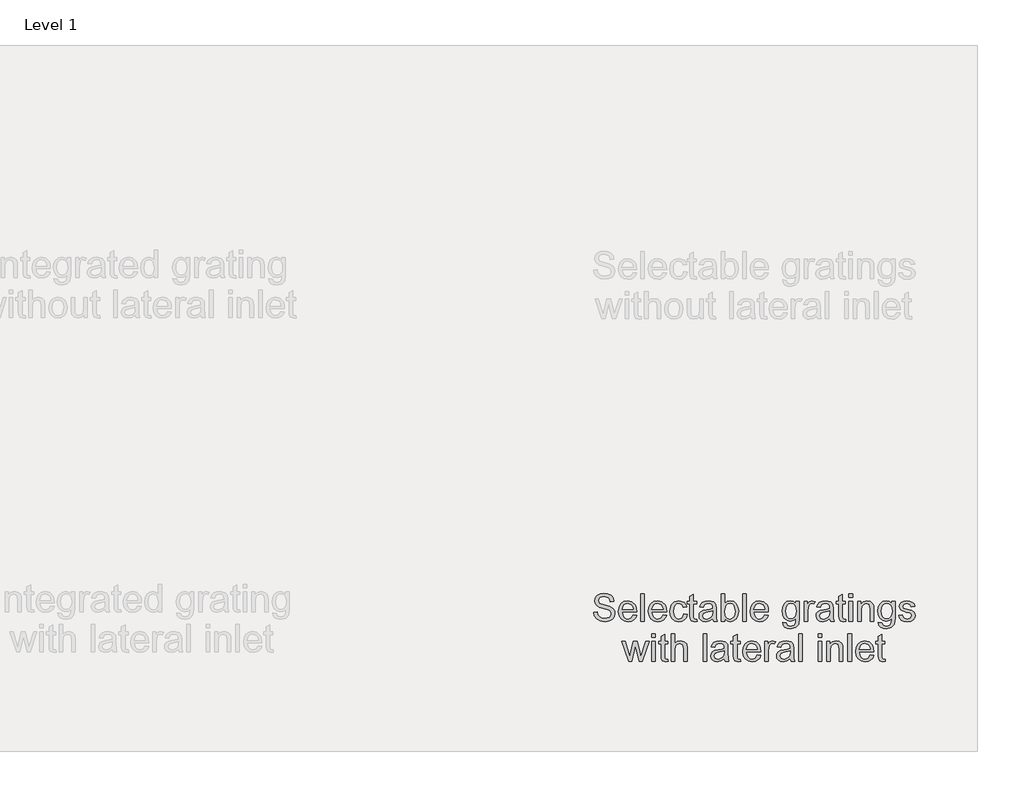
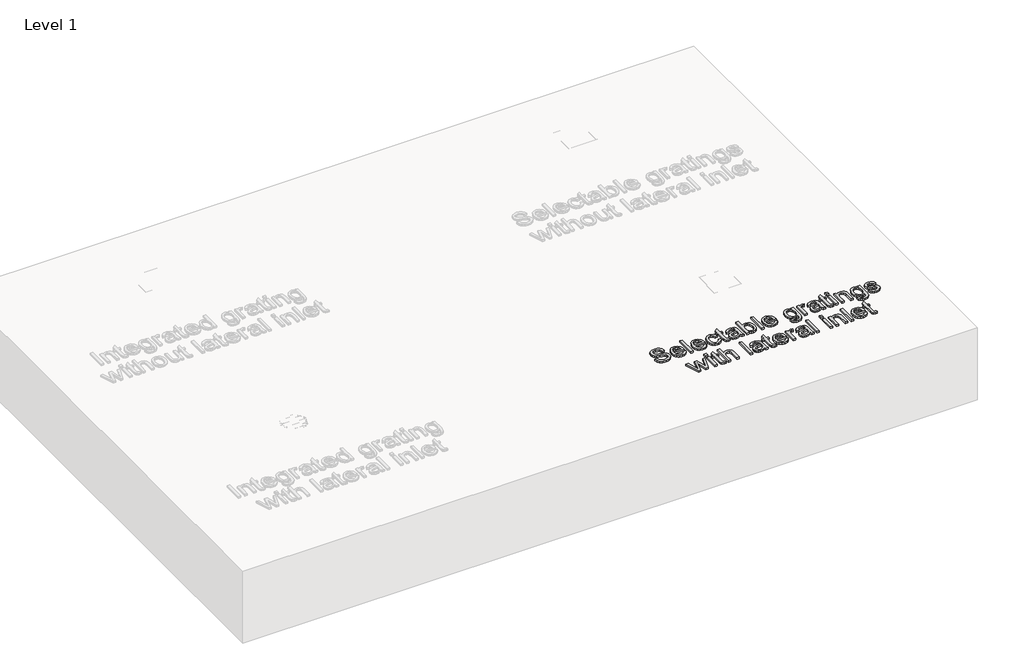
# One storey, part 2 of 5: 1 proxy.
"""IFC4 building model written with IfcOpenShell, lengths in millimetres."""

from ifc_helpers import new_model, si_unit, origin, origin_with_axes, place, context, project, spatial, polyline, outline, extrude, element, save

model = new_model("IFC4")

# Units and contexts
model_context = context("Model", 3, world=origin())
ifc_project = project(units=[si_unit("LENGTHUNIT", "METRE", prefix="MILLI")], contexts=[model_context])

# Site, building, storey
site = spatial("IfcSite", under=ifc_project)
building = spatial("IfcBuilding", under=site)
storey = spatial("IfcBuildingStorey", under=building, Name="Level 1", Elevation=0.0)

# Proxy
placement = place(None, origin())
element("IfcBuildingElementProxy", 1, Name="100mm ACO", ObjectType="100mm ACO", at=placement, inside=storey, context=model_context, shape_type="SweptSolid", body=[
    extrude(outline(polyline([(14433.4866855, 9836.5794399), (14431.4756901, 9845.4733925), (14427.005204, 9851.8427501), (14410.6857595, 9856.9498103), (14395.0607595, 9852.9712223), (14390.5468706, 9848.0847929), (14389.042241, 9841.3826807), (14393.5271947, 9831.3277038), (14411.698491, 9825.034301), (14431.5335605, 9819.5510834), (14444.6846021, 9810.6245788), (14448.7861646, 9803.5426922), (14450.1533521, 9794.3919399), (14447.6468417, 9782.5538323), (14440.1273105, 9772.9075649), (14428.5785547, 9766.4948045), (14413.9843706, 9764.3572177), (14396.001153, 9766.7299029), (14383.1973336, 9773.8479584), (14375.3848336, 9784.7420557), (14372.3755743, 9798.4428659), (14385.3385373, 9799.5424029), (14387.9680223, 9788.6663902), (14394.1782364, 9781.2119631), (14403.0143186, 9776.9042374), (14413.5214077, 9775.4683288), (14430.6510373, 9780.1992316), (14435.5555512, 9785.7728716), (14437.1903892, 9793.0319862), (14435.5012977, 9800.3598219), (14430.4340234, 9805.3873103), (14407.1556669, 9812.8381205), (14392.9448741, 9817.1783983), (14383.3564771, 9823.0522409), (14377.8985778, 9830.680279), (14376.079278, 9840.2831436), (14378.3615408, 9851.278514), (14385.208329, 9860.190551), (14395.9903024, 9866.0933288), (14410.0781206, 9868.0609214), (14424.6397526, 9866.0788612), (14436.0329817, 9860.1326807), (14443.5416623, 9850.5406668), (14446.4496484, 9837.6211066), (14433.4866855, 9836.5794399)])), origin_with_axes(), (0.0, 0.0, 1.0), 10.0),
    extrude(outline(polyline([(14529.7829817, 9799.5424029), (14476.079278, 9799.5424029), (14478.1517607, 9788.4168242), (14482.864579, 9780.2715696), (14489.646263, 9775.2802501), (14497.9253429, 9773.616477), (14509.6006901, 9777.3057131), (14516.8200188, 9788.4312918), (14529.7829817, 9786.9266621), (14525.406535, 9777.3057131), (14518.4693243, 9770.2021251), (14509.2245327, 9765.8184446), (14497.9253429, 9764.3572177), (14483.3383926, 9766.8637281), (14472.3321716, 9774.3832594), (14465.4202792, 9786.2430684), (14463.1163151, 9801.7704121), (14465.3370905, 9817.3086066), (14471.9994169, 9829.6060603), (14482.6982017, 9837.6138728), (14497.0283521, 9840.2831436), (14512.2482595, 9836.825389), (14524.6759216, 9825.0487686), (14528.5062167, 9814.5127443), (14529.7829817, 9799.5424029)]), holes=[polyline([(14516.8200188, 9808.8016621), (14514.7366855, 9818.9579121), (14509.9913151, 9825.815551), (14496.7100651, 9831.0238844), (14488.8541623, 9829.475852), (14482.5318243, 9824.8317547), (14476.079278, 9808.8016621), (14516.8200188, 9808.8016621)])]), origin_with_axes(), (0.0, 0.0, 1.0), 10.0),
    extrude(outline(polyline([(14557.5607595, 9766.2090696), (14544.5977966, 9766.2090696), (14544.5977966, 9866.2090696), (14557.5607595, 9866.2090696), (14557.5607595, 9766.2090696)])), origin_with_axes(), (0.0, 0.0, 1.0), 10.0),
    extrude(outline(polyline([(14639.042241, 9799.5424029), (14585.3385373, 9799.5424029), (14587.4110199, 9788.4168242), (14592.1238382, 9780.2715696), (14598.9055223, 9775.2802501), (14607.1846021, 9773.616477), (14618.8599493, 9777.3057131), (14626.079278, 9788.4312918), (14639.042241, 9786.9266621), (14634.6657942, 9777.3057131), (14627.7285836, 9770.2021251), (14618.4837919, 9765.8184446), (14607.1846021, 9764.3572177), (14592.5976519, 9766.8637281), (14581.5914308, 9774.3832594), (14574.6795385, 9786.2430684), (14572.3755743, 9801.7704121), (14574.5963498, 9817.3086066), (14581.2586762, 9829.6060603), (14591.9574609, 9837.6138728), (14606.2876114, 9840.2831436), (14621.5075188, 9836.825389), (14633.9351808, 9825.0487686), (14637.765476, 9814.5127443), (14639.042241, 9799.5424029)]), holes=[polyline([(14626.079278, 9808.8016621), (14623.9959447, 9818.9579121), (14619.2505743, 9825.815551), (14605.9693243, 9831.0238844), (14598.1134216, 9829.475852), (14591.7910836, 9824.8317547), (14585.3385373, 9808.8016621), (14626.079278, 9808.8016621)])]), origin_with_axes(), (0.0, 0.0, 1.0), 10.0),
    extrude(outline(polyline([(14714.9681669, 9790.659301), (14710.9389424, 9778.8537455), (14703.7702503, 9770.6940233), (14694.4458868, 9765.9414191), (14683.9496484, 9764.3572177), (14669.6339655, 9766.9469168), (14658.9785836, 9774.716014), (14652.35966, 9786.7602848), (14650.1533521, 9802.1755047), (14655.1880743, 9824.8606899), (14667.7893475, 9836.825389), (14683.6892317, 9840.2831436), (14703.1481438, 9834.6263149), (14709.6838787, 9827.6420846), (14713.1163151, 9818.003051), (14700.1533521, 9816.2090696), (14694.2505743, 9827.3057131), (14683.8339077, 9831.0238844), (14674.8784679, 9829.1394804), (14668.3825188, 9823.4862686), (14664.432866, 9814.454874), (14663.1163151, 9802.4359214), (14664.4364829, 9790.2071888), (14668.3969864, 9781.1251575), (14674.8459158, 9775.4936471), (14683.6313614, 9773.616477), (14696.2326345, 9778.2461066), (14702.005204, 9792.1349955), (14714.9681669, 9790.659301)])), origin_with_axes(), (0.0, 0.0, 1.0), 10.0),
    extrude(outline(polyline([(14750.1533521, 9765.1963381), (14741.067704, 9764.3572177), (14729.4791623, 9767.2362686), (14725.0376114, 9774.5424029), (14724.2274262, 9786.8687918), (14724.2274262, 9829.1720325), (14714.9681669, 9829.1720325), (14714.9681669, 9838.4312918), (14724.2274262, 9838.4312918), (14724.2274262, 9856.7761992), (14737.1903892, 9864.3572177), (14737.1903892, 9838.4312918), (14748.3015003, 9838.4312918), (14748.3015003, 9829.1720325), (14737.1903892, 9829.1720325), (14737.1903892, 9784.2646251), (14738.2320558, 9776.0470325), (14743.5271947, 9773.616477), (14748.5619169, 9773.616477), (14750.1533521, 9765.1963381)])), origin_with_axes(), (0.0, 0.0, 1.0), 10.0),
    extrude(outline(polyline([(14824.2274262, 9766.2090696), (14811.2644632, 9766.2090696), (14807.5607595, 9774.9474955), (14795.0679933, 9767.0047871), (14781.6058984, 9764.3572177), (14771.6196426, 9765.803977), (14763.9988382, 9770.1442547), (14759.1702792, 9776.8572177), (14757.5607595, 9785.4220325), (14759.1377271, 9793.7300476), (14763.8686299, 9800.424926), (14772.4985489, 9805.3185892), (14785.7725651, 9808.2229584), (14797.1151577, 9809.9590696), (14807.5607595, 9812.5053659), (14807.2280049, 9820.5348797), (14805.2893475, 9825.4104584), (14800.1244169, 9829.475852), (14790.5468706, 9831.0238844), (14778.4664308, 9827.8844168), (14772.3755743, 9816.2090696), (14759.4126114, 9817.8005047), (14762.9680223, 9827.6095325), (14769.6411993, 9834.6407825), (14779.4249088, 9838.8725534), (14792.3119169, 9840.2831436), (14811.5682827, 9836.4202964), (14819.120366, 9827.1031668), (14820.5237225, 9813.0551344), (14820.5237225, 9796.5331436), (14821.073491, 9776.278514), (14824.2274262, 9766.2090696)]), holes=[polyline([(14807.5607595, 9798.616477), (14807.5607595, 9803.2461066), (14784.282403, 9797.9220325), (14773.9633926, 9793.8638728), (14770.5237225, 9785.6245788), (14774.2274262, 9777.0018936), (14784.9045095, 9773.616477), (14800.7175882, 9779.2877733), (14805.8499667, 9786.9555973), (14807.5607595, 9798.616477)])]), origin_with_axes(), (0.0, 0.0, 1.0), 10.0),
    extrude(outline(polyline([(14852.1788151, 9831.284301), (14860.5410836, 9838.033433), (14871.6232595, 9840.2831436), (14884.0473047, 9837.7368473), (14893.7152734, 9830.0979584), (14899.9327213, 9818.3502733), (14902.005204, 9803.4775881), (14899.7265581, 9786.7422003), (14892.8906206, 9774.4411297), (14883.0020211, 9766.8781957), (14871.5653892, 9764.3572177), (14860.5483174, 9766.831176), (14852.2656206, 9774.253051), (14852.005204, 9766.2090696), (14839.042241, 9766.2090696), (14839.042241, 9866.2090696), (14852.005204, 9866.2090696), (14852.1788151, 9831.284301)]), holes=[polyline([(14870.3501114, 9773.616477), (14877.7683695, 9775.5081147), (14883.7615697, 9781.1830279), (14887.7220732, 9790.2795267), (14889.042241, 9802.4359214), (14884.1811299, 9823.3126575), (14878.3940929, 9829.0960777), (14870.755204, 9831.0238844), (14863.1307827, 9829.0345904), (14857.1556669, 9823.0667084), (14852.005204, 9802.9278196), (14854.1464077, 9785.971801), (14860.598954, 9777.2767779), (14870.3501114, 9773.616477)])]), origin_with_axes(), (0.0, 0.0, 1.0), 10.0),
    extrude(outline(polyline([(14929.7829817, 9766.2090696), (14916.8200188, 9766.2090696), (14916.8200188, 9866.2090696), (14929.7829817, 9866.2090696), (14929.7829817, 9766.2090696)])), origin_with_axes(), (0.0, 0.0, 1.0), 10.0),
    extrude(outline(polyline([(15011.2644632, 9799.5424029), (14957.5607595, 9799.5424029), (14959.6332422, 9788.4168242), (14964.3460605, 9780.2715696), (14971.1277445, 9775.2802501), (14979.4068243, 9773.616477), (14991.0821716, 9777.3057131), (14998.3015003, 9788.4312918), (15011.2644632, 9786.9266621), (15006.8880165, 9777.3057131), (14999.9508058, 9770.2021251), (14990.7060142, 9765.8184446), (14979.4068243, 9764.3572177), (14964.8198741, 9766.8637281), (14953.813653, 9774.3832594), (14946.9017607, 9786.2430684), (14944.5977966, 9801.7704121), (14946.818572, 9817.3086066), (14953.4808984, 9829.6060603), (14964.1796831, 9837.6138728), (14978.5098336, 9840.2831436), (14993.729741, 9836.825389), (15006.157403, 9825.0487686), (15009.9876982, 9814.5127443), (15011.2644632, 9799.5424029)]), holes=[polyline([(14998.3015003, 9808.8016621), (14996.2181669, 9818.9579121), (14991.4727966, 9825.815551), (14978.1915466, 9831.0238844), (14970.3356438, 9829.475852), (14964.0133058, 9824.8317547), (14957.5607595, 9808.8016621), (14998.3015003, 9808.8016621)])]), origin_with_axes(), (0.0, 0.0, 1.0), 10.0),
    extrude(outline(polyline([(15124.2274262, 9776.8572177), (15121.1747642, 9754.2154353), (15110.3096021, 9742.5834909), (15091.6464077, 9738.4312918), (15080.4304065, 9739.8382652), (15071.2615697, 9744.0591853), (15065.1526287, 9751.4846772), (15063.1163151, 9762.5053659), (15076.079278, 9760.4509677), (15080.6510373, 9750.887889), (15091.848954, 9747.690551), (15105.1591392, 9751.3797871), (15110.3240697, 9760.3641621), (15111.2644632, 9774.9764307), (15102.4898683, 9768.4009098), (15091.6753429, 9766.2090696), (15079.2838498, 9768.82047), (15069.5977966, 9776.6546714), (15063.3477966, 9788.4674608), (15061.2644632, 9803.0146251), (15063.2465234, 9817.6558288), (15069.192704, 9829.6349955), (15078.6400419, 9837.6211066), (15091.1255743, 9840.2831436), (15102.2005165, 9837.9032246), (15111.0040466, 9830.7634677), (15111.2644632, 9838.4312918), (15124.2274262, 9838.4312918), (15124.2274262, 9776.8572177)]), holes=[polyline([(15093.6140003, 9775.4683288), (15100.8260952, 9777.0742316), (15107.1846021, 9781.8919399), (15111.6333868, 9790.4856899), (15113.1163151, 9803.4197177), (15111.7021079, 9815.2071888), (15107.4594864, 9823.8913612), (15101.1335315, 9829.2407536), (15093.4693243, 9831.0238844), (15085.7472468, 9829.1973508), (15079.594903, 9823.7177501), (15075.5692954, 9815.0625128), (15074.2274262, 9803.7090696), (15075.6343996, 9790.9920557), (15079.8553197, 9782.2391621), (15086.1089366, 9777.1610371), (15093.6140003, 9775.4683288)])]), origin_with_axes(), (0.0, 0.0, 1.0), 10.0),
    extrude(outline(polyline([(15181.6348336, 9837.4474955), (15177.5839077, 9829.1720325), (15169.0769632, 9831.0238844), (15163.2826924, 9829.3962802), (15159.0943243, 9824.5134677), (15155.7089077, 9806.284301), (15155.7089077, 9766.2090696), (15142.7459447, 9766.2090696), (15142.7459447, 9838.4312918), (15153.8570558, 9838.4312918), (15153.8570558, 9827.7252733), (15160.7870327, 9837.143676), (15169.2216392, 9840.2831436), (15181.6348336, 9837.4474955)])), origin_with_axes(), (0.0, 0.0, 1.0), 10.0),
    extrude(outline(polyline([(15252.005204, 9766.2090696), (15239.042241, 9766.2090696), (15235.3385373, 9774.9474955), (15222.8457711, 9767.0047871), (15209.3836762, 9764.3572177), (15199.3974204, 9765.803977), (15191.776616, 9770.1442547), (15186.948057, 9776.8572177), (15185.3385373, 9785.4220325), (15186.9155049, 9793.7300476), (15191.6464077, 9800.424926), (15200.2763267, 9805.3185892), (15213.5503429, 9808.2229584), (15224.8929355, 9809.9590696), (15235.3385373, 9812.5053659), (15235.0057827, 9820.5348797), (15233.0671253, 9825.4104584), (15227.9021947, 9829.475852), (15218.3246484, 9831.0238844), (15206.2442086, 9827.8844168), (15200.1533521, 9816.2090696), (15187.1903892, 9817.8005047), (15190.7458, 9827.6095325), (15197.4189771, 9834.6407825), (15207.2026866, 9838.8725534), (15220.0896947, 9840.2831436), (15239.3460605, 9836.4202964), (15246.8981438, 9827.1031668), (15248.3015003, 9813.0551344), (15248.3015003, 9796.5331436), (15248.8512688, 9776.278514), (15252.005204, 9766.2090696)]), holes=[polyline([(15235.3385373, 9798.616477), (15235.3385373, 9803.2461066), (15212.0601808, 9797.9220325), (15201.7411704, 9793.8638728), (15198.3015003, 9785.6245788), (15202.005204, 9777.0018936), (15212.6822873, 9773.616477), (15228.495366, 9779.2877733), (15233.6277445, 9786.9555973), (15235.3385373, 9798.616477)])]), origin_with_axes(), (0.0, 0.0, 1.0), 10.0),
    extrude(outline(polyline([(15294.5977966, 9765.1963381), (15285.5121484, 9764.3572177), (15273.9236067, 9767.2362686), (15269.4820558, 9774.5424029), (15268.6718706, 9786.8687918), (15268.6718706, 9829.1720325), (15259.4126114, 9829.1720325), (15259.4126114, 9838.4312918), (15268.6718706, 9838.4312918), (15268.6718706, 9856.7761992), (15281.6348336, 9864.3572177), (15281.6348336, 9838.4312918), (15292.7459447, 9838.4312918), (15292.7459447, 9829.1720325), (15281.6348336, 9829.1720325), (15281.6348336, 9784.2646251), (15282.6765003, 9776.0470325), (15287.9716392, 9773.616477), (15293.0063614, 9773.616477), (15294.5977966, 9765.1963381)])), origin_with_axes(), (0.0, 0.0, 1.0), 10.0),
    extrude(outline(polyline([(15318.6718706, 9766.2090696), (15305.7089077, 9766.2090696), (15305.7089077, 9838.4312918), (15318.6718706, 9838.4312918), (15318.6718706, 9766.2090696)])), origin_with_axes(), (0.0, 0.0, 1.0), 10.0),
    extrude(outline(polyline([(15318.6718706, 9853.2461066), (15305.7089077, 9853.2461066), (15305.7089077, 9866.2090696), (15318.6718706, 9866.2090696), (15318.6718706, 9853.2461066)])), origin_with_axes(), (0.0, 0.0, 1.0), 10.0),
    extrude(outline(polyline([(15396.4496484, 9766.2090696), (15383.4866855, 9766.2090696), (15383.4866855, 9811.1743473), (15379.6238382, 9826.7704121), (15368.8744169, 9831.0238844), (15358.8483753, 9828.303977), (15352.1354123, 9820.6361529), (15350.1533521, 9806.6315233), (15350.1533521, 9766.2090696), (15337.1903892, 9766.2090696), (15337.1903892, 9838.4312918), (15348.3015003, 9838.4312918), (15348.3015003, 9828.3907825), (15358.1973336, 9837.3172871), (15371.4496484, 9840.2831436), (15382.8211762, 9838.2287455), (15391.6174725, 9832.0800186), (15395.6249956, 9823.3415927), (15396.4496484, 9810.7981899), (15396.4496484, 9766.2090696)])), origin_with_axes(), (0.0, 0.0, 1.0), 10.0),
    extrude(outline(polyline([(15474.2274262, 9776.8572177), (15471.1747642, 9754.2154353), (15460.3096021, 9742.5834909), (15441.6464077, 9738.4312918), (15430.4304065, 9739.8382652), (15421.2615697, 9744.0591853), (15415.1526287, 9751.4846772), (15413.1163151, 9762.5053659), (15426.079278, 9760.4509677), (15430.6510373, 9750.887889), (15441.848954, 9747.690551), (15455.1591392, 9751.3797871), (15460.3240697, 9760.3641621), (15461.2644632, 9774.9764307), (15452.4898683, 9768.4009098), (15441.6753429, 9766.2090696), (15429.2838498, 9768.82047), (15419.5977966, 9776.6546714), (15413.3477966, 9788.4674608), (15411.2644632, 9803.0146251), (15413.2465234, 9817.6558288), (15419.192704, 9829.6349955), (15428.6400419, 9837.6211066), (15441.1255743, 9840.2831436), (15452.2005165, 9837.9032246), (15461.0040466, 9830.7634677), (15461.2644632, 9838.4312918), (15474.2274262, 9838.4312918), (15474.2274262, 9776.8572177)]), holes=[polyline([(15443.6140003, 9775.4683288), (15450.8260952, 9777.0742316), (15457.1846021, 9781.8919399), (15461.6333868, 9790.4856899), (15463.1163151, 9803.4197177), (15461.7021079, 9815.2071888), (15457.4594864, 9823.8913612), (15451.1335315, 9829.2407536), (15443.4693243, 9831.0238844), (15435.7472468, 9829.1973508), (15429.594903, 9823.7177501), (15425.5692954, 9815.0625128), (15424.2274262, 9803.7090696), (15425.6343996, 9790.9920557), (15429.8553197, 9782.2391621), (15436.1089366, 9777.1610371), (15443.6140003, 9775.4683288)])]), origin_with_axes(), (0.0, 0.0, 1.0), 10.0),
    extrude(outline(polyline([(15533.4866855, 9818.0609214), (15528.6979123, 9827.7831436), (15517.630204, 9831.0238844), (15506.3165466, 9828.2461066), (15502.005204, 9820.1731899), (15504.8553197, 9813.0261992), (15518.2957132, 9809.1488844), (15536.0185142, 9804.9822177), (15545.0607595, 9798.6598797), (15548.3015003, 9787.3317547), (15546.2905049, 9778.4016332), (15540.2575188, 9770.9978427), (15530.8608174, 9766.017374), (15518.7586762, 9764.3572177), (15506.2839945, 9765.7533404), (15496.8692086, 9769.9417084), (15490.5070848, 9776.9150881), (15487.1903892, 9786.6662455), (15500.1533521, 9788.4312918), (15505.7523105, 9777.3057131), (15518.7586762, 9773.616477), (15531.0561299, 9777.450389), (15535.3385373, 9786.7819862), (15533.4143475, 9792.757102), (15528.6111067, 9796.128051), (15515.0260373, 9799.0215696), (15494.0914308, 9806.8340696), (15489.042241, 9819.4208751), (15490.9121774, 9827.7071888), (15496.5219864, 9834.3948334), (15505.2929644, 9838.8110661), (15516.6464077, 9840.2831436), (15528.5785547, 9838.9955279), (15537.5231438, 9835.1326807), (15543.480175, 9828.7018358), (15546.4496484, 9819.710227), (15533.4866855, 9818.0609214)])), origin_with_axes(), (0.0, 0.0, 1.0), 10.0),
    extrude(outline(polyline([(14574.6903892, 9692.1349955), (14550.5005743, 9619.9127733), (14538.2320558, 9619.9127733), (14527.7285836, 9663.315551), (14526.4120327, 9669.174926), (14525.1533521, 9675.5840696), (14512.3929355, 9619.9127733), (14500.1244169, 9619.9127733), (14475.6163151, 9692.1349955), (14487.161454, 9692.1349955), (14504.7829817, 9634.9011992), (14506.8952503, 9644.6523566), (14517.948491, 9692.1349955), (14532.4450188, 9692.1349955), (14541.2123799, 9654.2588381), (14545.292241, 9636.4636992), (14563.1163151, 9692.1349955), (14574.6903892, 9692.1349955)])), origin_with_axes(), (0.0, 0.0, 1.0), 10.0),
    extrude(outline(polyline([(14598.3015003, 9619.9127733), (14585.3385373, 9619.9127733), (14585.3385373, 9692.1349955), (14598.3015003, 9692.1349955), (14598.3015003, 9619.9127733)])), origin_with_axes(), (0.0, 0.0, 1.0), 10.0),
    extrude(outline(polyline([(14598.3015003, 9706.9498103), (14585.3385373, 9706.9498103), (14585.3385373, 9719.9127733), (14598.3015003, 9719.9127733), (14598.3015003, 9706.9498103)])), origin_with_axes(), (0.0, 0.0, 1.0), 10.0),
    extrude(outline(polyline([(14644.5977966, 9618.9000418), (14635.5121484, 9618.0609214), (14623.9236067, 9620.9399723), (14619.4820558, 9628.2461066), (14618.6718706, 9640.5724955), (14618.6718706, 9682.8757362), (14609.4126114, 9682.8757362), (14609.4126114, 9692.1349955), (14618.6718706, 9692.1349955), (14618.6718706, 9710.4799029), (14631.6348336, 9718.0609214), (14631.6348336, 9692.1349955), (14642.7459447, 9692.1349955), (14642.7459447, 9682.8757362), (14631.6348336, 9682.8757362), (14631.6348336, 9637.9683288), (14632.6765003, 9629.7507362), (14637.9716392, 9627.3201807), (14643.0063614, 9627.3201807), (14644.5977966, 9618.9000418)])), origin_with_axes(), (0.0, 0.0, 1.0), 10.0),
    extrude(outline(polyline([(14714.9681669, 9619.9127733), (14702.005204, 9619.9127733), (14702.005204, 9666.6141621), (14698.3159679, 9680.1992316), (14687.3061299, 9684.7275881), (14674.3721021, 9679.3890464), (14670.0969285, 9671.9563207), (14668.6718706, 9660.335227), (14668.6718706, 9619.9127733), (14655.7089077, 9619.9127733), (14655.7089077, 9719.9127733), (14668.6718706, 9719.9127733), (14668.6718706, 9684.091014), (14678.3723915, 9691.512889), (14690.2285836, 9693.9868473), (14703.5098336, 9691.122264), (14712.407403, 9682.3115001), (14714.9681669, 9665.803977), (14714.9681669, 9619.9127733)])), origin_with_axes(), (0.0, 0.0, 1.0), 10.0),
    extrude(outline(polyline([(14785.3385373, 9619.9127733), (14772.3755743, 9619.9127733), (14772.3755743, 9719.9127733), (14785.3385373, 9719.9127733), (14785.3385373, 9619.9127733)])), origin_with_axes(), (0.0, 0.0, 1.0), 10.0),
    extrude(outline(polyline([(14866.8200188, 9619.9127733), (14853.8570558, 9619.9127733), (14850.1533521, 9628.6511992), (14837.6605859, 9620.7084909), (14824.198491, 9618.0609214), (14814.2122352, 9619.5076807), (14806.5914308, 9623.8479584), (14801.7628718, 9630.5609214), (14800.1533521, 9639.1257362), (14801.7303197, 9647.4337513), (14806.4612225, 9654.1286297), (14815.0911415, 9659.0222929), (14828.3651577, 9661.9266621), (14839.7077503, 9663.6627733), (14850.1533521, 9666.2090696), (14849.8205975, 9674.2385834), (14847.8819401, 9679.1141621), (14842.7170095, 9683.1795557), (14833.1394632, 9684.7275881), (14821.0590234, 9681.5881205), (14814.9681669, 9669.9127733), (14802.005204, 9671.5042084), (14805.5606149, 9681.3132362), (14812.2337919, 9688.3444862), (14822.0175014, 9692.5762571), (14834.9045095, 9693.9868473), (14854.1608753, 9690.1240001), (14861.7129586, 9680.8068705), (14863.1163151, 9666.7588381), (14863.1163151, 9650.2368473), (14863.6660836, 9629.9822177), (14866.8200188, 9619.9127733)]), holes=[polyline([(14850.1533521, 9652.3201807), (14850.1533521, 9656.9498103), (14826.8749956, 9651.6257362), (14816.5559852, 9647.5675765), (14813.1163151, 9639.3282825), (14816.8200188, 9630.7055973), (14827.4971021, 9627.3201807), (14843.3101808, 9632.991477), (14848.4425593, 9640.659301), (14850.1533521, 9652.3201807)])]), origin_with_axes(), (0.0, 0.0, 1.0), 10.0),
    extrude(outline(polyline([(14909.4126114, 9618.9000418), (14900.3269632, 9618.0609214), (14888.7384216, 9620.9399723), (14884.2968706, 9628.2461066), (14883.4866855, 9640.5724955), (14883.4866855, 9682.8757362), (14874.2274262, 9682.8757362), (14874.2274262, 9692.1349955), (14883.4866855, 9692.1349955), (14883.4866855, 9710.4799029), (14896.4496484, 9718.0609214), (14896.4496484, 9692.1349955), (14907.5607595, 9692.1349955), (14907.5607595, 9682.8757362), (14896.4496484, 9682.8757362), (14896.4496484, 9637.9683288), (14897.4913151, 9629.7507362), (14902.786454, 9627.3201807), (14907.8211762, 9627.3201807), (14909.4126114, 9618.9000418)])), origin_with_axes(), (0.0, 0.0, 1.0), 10.0),
    extrude(outline(polyline([(14983.4866855, 9653.2461066), (14929.7829817, 9653.2461066), (14931.8554644, 9642.1205279), (14936.5682827, 9633.9752733), (14943.3499667, 9628.9839538), (14951.6290466, 9627.3201807), (14963.3043938, 9631.0094168), (14970.5237225, 9642.1349955), (14983.4866855, 9640.6303659), (14979.1102387, 9631.0094168), (14972.173028, 9623.9058288), (14962.9282364, 9619.5221483), (14951.6290466, 9618.0609214), (14937.0420963, 9620.5674318), (14926.0358753, 9628.0869631), (14919.1239829, 9639.9467721), (14916.8200188, 9655.4741159), (14919.0407942, 9671.0123103), (14925.7031206, 9683.309764), (14936.4019054, 9691.3175765), (14950.7320558, 9693.9868473), (14965.9519632, 9690.5290927), (14978.3796253, 9678.7524723), (14982.2099204, 9668.216448), (14983.4866855, 9653.2461066)]), holes=[polyline([(14970.5237225, 9662.5053659), (14968.4403892, 9672.6616159), (14963.6950188, 9679.5192547), (14950.4137688, 9684.7275881), (14942.557866, 9683.1795557), (14936.235528, 9678.5354584), (14929.7829817, 9662.5053659), (14970.5237225, 9662.5053659)])]), origin_with_axes(), (0.0, 0.0, 1.0), 10.0),
    extrude(outline(polyline([(15037.1903892, 9691.1511992), (15033.1394632, 9682.8757362), (15024.6325188, 9684.7275881), (15018.838248, 9683.0999839), (15014.6498799, 9678.2171714), (15011.2644632, 9659.9880047), (15011.2644632, 9619.9127733), (14998.3015003, 9619.9127733), (14998.3015003, 9692.1349955), (15009.4126114, 9692.1349955), (15009.4126114, 9681.428977), (15016.3425882, 9690.8473797), (15024.7771947, 9693.9868473), (15037.1903892, 9691.1511992)])), origin_with_axes(), (0.0, 0.0, 1.0), 10.0),
    extrude(outline(polyline([(15107.5607595, 9619.9127733), (15094.5977966, 9619.9127733), (15090.8940929, 9628.6511992), (15078.4013267, 9620.7084909), (15064.9392317, 9618.0609214), (15054.952976, 9619.5076807), (15047.3321716, 9623.8479584), (15042.5036125, 9630.5609214), (15040.8940929, 9639.1257362), (15042.4710605, 9647.4337513), (15047.2019632, 9654.1286297), (15055.8318822, 9659.0222929), (15069.1058984, 9661.9266621), (15080.448491, 9663.6627733), (15090.8940929, 9666.2090696), (15090.5613382, 9674.2385834), (15088.6226808, 9679.1141621), (15083.4577503, 9683.1795557), (15073.880204, 9684.7275881), (15061.7997642, 9681.5881205), (15055.7089077, 9669.9127733), (15042.7459447, 9671.5042084), (15046.3013556, 9681.3132362), (15052.9745327, 9688.3444862), (15062.7582422, 9692.5762571), (15075.6452503, 9693.9868473), (15094.901616, 9690.1240001), (15102.4536993, 9680.8068705), (15103.8570558, 9666.7588381), (15103.8570558, 9650.2368473), (15104.4068243, 9629.9822177), (15107.5607595, 9619.9127733)]), holes=[polyline([(15090.8940929, 9652.3201807), (15090.8940929, 9656.9498103), (15067.6157364, 9651.6257362), (15057.296726, 9647.5675765), (15053.8570558, 9639.3282825), (15057.5607595, 9630.7055973), (15068.2378429, 9627.3201807), (15084.0509216, 9632.991477), (15089.1833, 9640.659301), (15090.8940929, 9652.3201807)])]), origin_with_axes(), (0.0, 0.0, 1.0), 10.0),
    extrude(outline(polyline([(15135.3385373, 9619.9127733), (15122.3755743, 9619.9127733), (15122.3755743, 9719.9127733), (15135.3385373, 9719.9127733), (15135.3385373, 9619.9127733)])), origin_with_axes(), (0.0, 0.0, 1.0), 10.0),
    extrude(outline(polyline([(15205.7089077, 9706.9498103), (15192.7459447, 9706.9498103), (15192.7459447, 9719.9127733), (15205.7089077, 9719.9127733), (15205.7089077, 9706.9498103)])), origin_with_axes(), (0.0, 0.0, 1.0), 10.0),
    extrude(outline(polyline([(15205.7089077, 9619.9127733), (15192.7459447, 9619.9127733), (15192.7459447, 9692.1349955), (15205.7089077, 9692.1349955), (15205.7089077, 9619.9127733)])), origin_with_axes(), (0.0, 0.0, 1.0), 10.0),
    extrude(outline(polyline([(15283.4866855, 9619.9127733), (15270.5237225, 9619.9127733), (15270.5237225, 9664.878051), (15266.6608753, 9680.4741159), (15255.911454, 9684.7275881), (15245.8854123, 9682.0076807), (15239.1724493, 9674.3398566), (15237.1903892, 9660.335227), (15237.1903892, 9619.9127733), (15224.2274262, 9619.9127733), (15224.2274262, 9692.1349955), (15235.3385373, 9692.1349955), (15235.3385373, 9682.0944862), (15245.2343706, 9691.0209909), (15258.4866855, 9693.9868473), (15269.8582132, 9691.9324492), (15278.6545095, 9685.7837223), (15282.6620327, 9677.0452964), (15283.4866855, 9664.5018936), (15283.4866855, 9619.9127733)])), origin_with_axes(), (0.0, 0.0, 1.0), 10.0),
    extrude(outline(polyline([(15314.9681669, 9619.9127733), (15302.005204, 9619.9127733), (15302.005204, 9719.9127733), (15314.9681669, 9719.9127733), (15314.9681669, 9619.9127733)])), origin_with_axes(), (0.0, 0.0, 1.0), 10.0),
    extrude(outline(polyline([(15396.4496484, 9653.2461066), (15342.7459447, 9653.2461066), (15344.8184274, 9642.1205279), (15349.5312456, 9633.9752733), (15356.3129297, 9628.9839538), (15364.5920095, 9627.3201807), (15376.2673567, 9631.0094168), (15383.4866855, 9642.1349955), (15396.4496484, 9640.6303659), (15392.0732017, 9631.0094168), (15385.135991, 9623.9058288), (15375.8911993, 9619.5221483), (15364.5920095, 9618.0609214), (15350.0050593, 9620.5674318), (15338.9988382, 9628.0869631), (15332.0869459, 9639.9467721), (15329.7829817, 9655.4741159), (15332.0037572, 9671.0123103), (15338.6660836, 9683.309764), (15349.3648683, 9691.3175765), (15363.6950188, 9693.9868473), (15378.9149262, 9690.5290927), (15391.3425882, 9678.7524723), (15395.1728834, 9668.216448), (15396.4496484, 9653.2461066)]), holes=[polyline([(15383.4866855, 9662.5053659), (15381.4033521, 9672.6616159), (15376.6579817, 9679.5192547), (15363.3767317, 9684.7275881), (15355.520829, 9683.1795557), (15349.198491, 9678.5354584), (15342.7459447, 9662.5053659), (15383.4866855, 9662.5053659)])]), origin_with_axes(), (0.0, 0.0, 1.0), 10.0),
    extrude(outline(polyline([(15439.042241, 9618.9000418), (15429.9565929, 9618.0609214), (15418.3680512, 9620.9399723), (15413.9265003, 9628.2461066), (15413.1163151, 9640.5724955), (15413.1163151, 9682.8757362), (15403.8570558, 9682.8757362), (15403.8570558, 9692.1349955), (15413.1163151, 9692.1349955), (15413.1163151, 9710.4799029), (15426.079278, 9718.0609214), (15426.079278, 9692.1349955), (15437.1903892, 9692.1349955), (15437.1903892, 9682.8757362), (15426.079278, 9682.8757362), (15426.079278, 9637.9683288), (15427.1209447, 9629.7507362), (15432.4160836, 9627.3201807), (15437.4508058, 9627.3201807), (15439.042241, 9618.9000418)])), origin_with_axes(), (0.0, 0.0, 1.0), 10.0),
])

save(model, "model.ifc")
